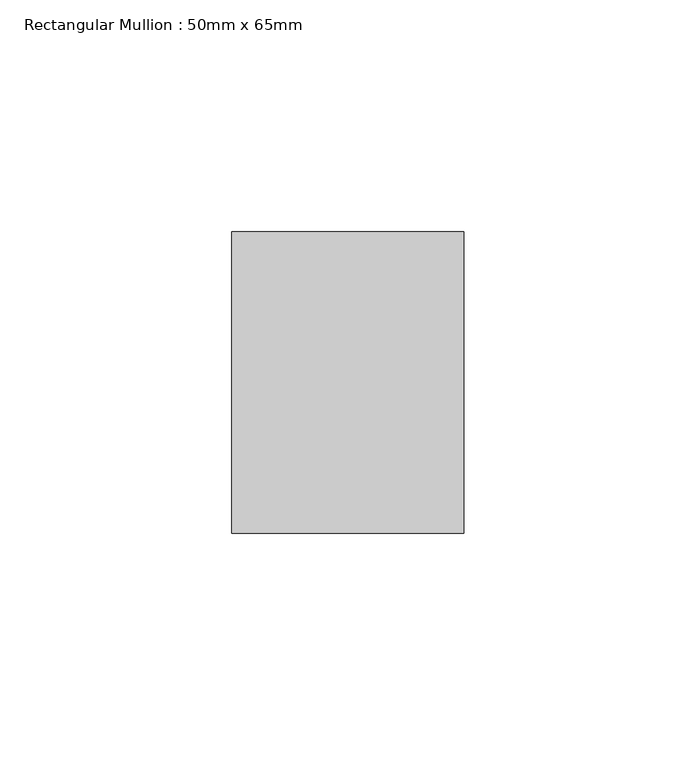
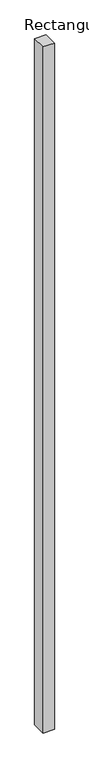
"""IFC4 building model written with IfcOpenShell, lengths in millimetres: member geometry, Rectangular Mullion : 50mm x 65mm."""

from ifc_helpers import new_model, si_unit, frame, origin, place, context, project, spatial, polyline, outline, extrude, source, transform, mapped, element, save


def rectangular_mullion_50mm_x_65mm_d8d017d8(model_context):
    return source(origin(), model_context, "Body", "SweptSolid", [
        extrude(outline(polyline([(25.0, 32.5), (25.0, -32.5), (-25.0, -32.5), (-25.0, 32.5), (25.0, 32.5)])), frame((0.0, 0.0, -3235.2676358), z_axis=(0.0, 0.0, 1.0), x_axis=(1.0, 0.0, 0.0)), (0.0, 0.0, 1.0), 3235.2676358),
    ])


if __name__ == "__main__":
    model = new_model("IFC4")
    model_context = context("Model", 3, world=origin())
    ifc_project = project(units=[si_unit("LENGTHUNIT", "METRE", prefix="MILLI")], contexts=[model_context])
    site = spatial("IfcSite", under=ifc_project)
    building = spatial("IfcBuilding", under=site)
    placement = place(None, origin())
    rectangular_mullion_50mm_x_65mm_shape = rectangular_mullion_50mm_x_65mm_d8d017d8(model_context)
    element("IfcMember", 1, ObjectType="Rectangular Mullion : 50mm x 65mm", at=placement, inside=building, context=model_context, shape_type="MappedRepresentation", body=[
        mapped(rectangular_mullion_50mm_x_65mm_shape, transform((0.0, 0.0, 0.0), x_axis=(1.0, 0.0, 0.0), y_axis=(0.0, 1.0, 0.0), z_axis=(0.0, 0.0, 1.0))),
    ])
    save(model, "model.ifc")
